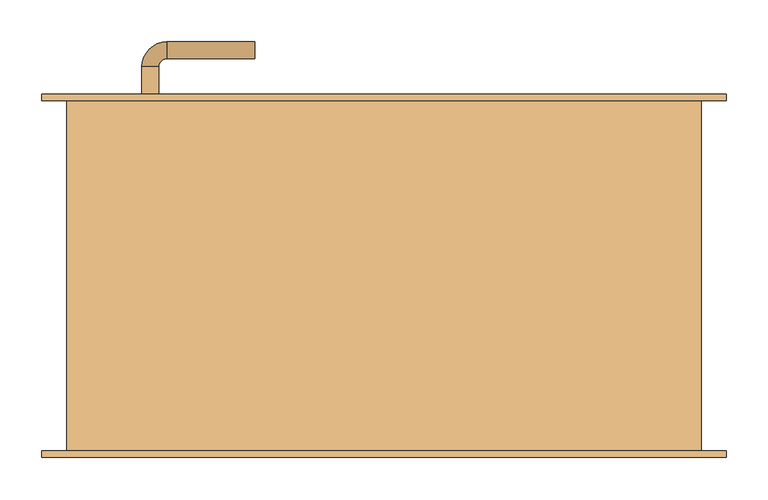
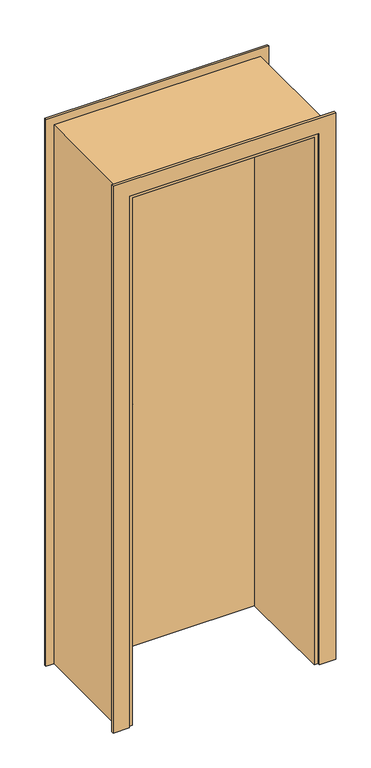
"""IFC4 building model written with IfcOpenShell, lengths in millimetres: door geometry."""

from ifc_helpers import new_model, si_unit, point, frame, frame_2d, origin, origin_with_axes, place, context, project, spatial, polyline, circle_curve, ellipse_curve, trimmed, segment, composite_curve, outline, extrude, faceted_brep, source, transform, mapped, element, save
from ifc_brep_helpers import plane_surface, cylinder_surface, revolved_surface, advanced_brep


def door_f90213ad(model_context):
    return source(origin(), model_context, "Body", "SolidModel", [
        advanced_brep(
        [(-300.0, 216.5831809, 1000.0), (-260.0, 216.5831809, 1000.0), (-290.0, 216.5831809, 1000.0), (-270.0, 216.5831809, 1000.0), (-300.0, 210.0, 1000.0), (-260.0, 210.0, 1000.0), (-155.0, 280.6350833, 1000.0), (-155.0, 260.6350833, 1000.0), (-290.0, 250.6350833, 1000.0), (-270.0, 250.6350833, 1000.0), (-260.0, 260.6350833, 1000.0), (-260.0, 280.6350833, 1000.0)],
        [
            (0, 1, circle_curve(frame((-280.0, 216.5831809, 1000.0), z_axis=(0.0, 1.0, 0.0), x_axis=(1.0, 0.0, 0.0)), 20.0)),
            (1, 0, circle_curve(frame((-280.0, 216.5831809, 1000.0), z_axis=(0.0, 1.0, 0.0), x_axis=(1.0, 0.0, 0.0)), 20.0)),
            (2, 3, circle_curve(frame((-280.0, 216.5831809, 1000.0), z_axis=(0.0, -1.0, 0.0), x_axis=(1.0, 0.0, 0.0)), 10.0)),
            (3, 2, circle_curve(frame((-280.0, 216.5831809, 1000.0), z_axis=(0.0, -1.0, 0.0), x_axis=(1.0, 0.0, 0.0)), 10.0)),
            (4, 5, circle_curve(frame((-280.0, 210.0, 1000.0), z_axis=(0.0, -1.0, 0.0), x_axis=(1.0, 0.0, 0.0)), 20.0)),
            (5, 4, circle_curve(frame((-280.0, 210.0, 1000.0), z_axis=(0.0, -1.0, 0.0), x_axis=(1.0, 0.0, 0.0)), 20.0)),
            (1, 5),
            (4, 0),
            (6, 7, circle_curve(frame((-155.0, 270.6350833, 1000.0), z_axis=(1.0, 0.0, 0.0), x_axis=(0.0, -1.0, 0.0)), 10.0)),
            (7, 6, circle_curve(frame((-155.0, 270.6350833, 1000.0), z_axis=(1.0, 0.0, 0.0), x_axis=(0.0, -1.0, 0.0)), 10.0)),
            (8, 2),
            (3, 9),
            (9, 8, circle_curve(frame((-280.0, 250.6350833, 1000.0), z_axis=(0.0, -1.0, 0.0), x_axis=(1.0, 0.0, 0.0)), 10.0)),
            (8, 9, circle_curve(frame((-280.0, 250.6350833, 1000.0), z_axis=(0.0, -1.0, 0.0), x_axis=(1.0, 0.0, 0.0)), 10.0)),
            (9, 10, circle_curve(frame((-260.0, 250.6350833, 1000.0), z_axis=(0.0, 0.0, -1.0), x_axis=(-1.0, 0.0, 0.0)), 10.0)),
            (10, 11, circle_curve(frame((-260.0, 270.6350833, 1000.0), z_axis=(-1.0, 0.0, 0.0), x_axis=(0.0, -1.0, 0.0)), 10.0)),
            (11, 8, circle_curve(frame((-260.0, 250.6350833, 1000.0), z_axis=(0.0, 0.0, 1.0), x_axis=(-1.0, 0.0, 0.0)), 30.0)),
            (11, 10, circle_curve(frame((-260.0, 270.6350833, 1000.0), z_axis=(-1.0, 0.0, 0.0), x_axis=(0.0, -1.0, 0.0)), 10.0)),
            (6, 11),
            (10, 7),
        ],
        [
            plane_surface(frame((-260.0, 216.5831809, 1000.0), z_axis=(0.0, 1.0, 0.0), x_axis=(0.0, 0.0, 1.0))),
            plane_surface(frame((-260.0, 210.0, 1000.0), z_axis=(0.0, -1.0, 0.0), x_axis=(0.0, 0.0, -1.0))),
            cylinder_surface(frame((-280.0, 210.0, 1000.0), z_axis=(0.0, 1.0, 0.0), x_axis=(1.0, 0.0, 0.0)), 20.0),
            plane_surface(frame((-155.0, 270.6350833, 1000.0), z_axis=(1.0, 0.0, 0.0), x_axis=(0.0, 0.0, -1.0))),
            cylinder_surface(frame((-280.0, 210.0, 1000.0), z_axis=(0.0, -1.0, 0.0), x_axis=(1.0, 0.0, 0.0)), 10.0),
            revolved_surface(trimmed(ellipse_curve(frame((-280.0, 250.6350833, 1000.0), z_axis=(0.0, 1.0, 0.0), x_axis=(1.0, 0.0, 0.0)), 10.0, 10.0), [point((-290.0, 250.6350833, 1000.0))], [point((-270.0, 250.6350833, 1000.0))], True, "CARTESIAN"), (-260.0, 250.6350833, 1000.0), (0.0, 0.0, 1.0)),
            revolved_surface(trimmed(ellipse_curve(frame((-280.0, 250.6350833, 1000.0), z_axis=(0.0, 1.0, 0.0), x_axis=(1.0, 0.0, 0.0)), 10.0, 10.0), [point((-270.0, 250.6350833, 1000.0))], [point((-290.0, 250.6350833, 1000.0))], True, "CARTESIAN"), (-260.0, 250.6350833, 1000.0), (0.0, 0.0, 1.0)),
            cylinder_surface(frame((-260.0, 270.6350833, 1000.0), z_axis=(-1.0, 0.0, 0.0), x_axis=(0.0, -1.0, 0.0)), 10.0),
        ],
        [
            (0, [[1, 2], [3, 4]]),
            (1, [[5, 6]]),
            (2, [[7, -5, 8, -2]]),
            (2, [[-8, -6, -7, -1]]),
            (3, [[9, 10]]),
            (4, [[11, -4, 12, 13]]),
            (4, [[-12, -3, -11, 14]]),
            (5, [[15, 16, 17, -13]]),
            (6, [[-17, 18, -15, -14]]),
            (7, [[19, -16, 20, -9]]),
            (7, [[-20, -18, -19, -10]]),
        ],
    ),
        extrude(outline(composite_curve([segment(trimmed(circle_curve(frame_2d((940.0, -280.0)), 20.0), [point((940.0, -300.0))], [point((940.0, -260.0))], False, "CARTESIAN"), True, "CONTINUOUS"), segment(trimmed(circle_curve(frame_2d((940.0, -280.0)), 20.0), [point((940.0, -260.0))], [point((940.0, -300.0))], False, "CARTESIAN"), True, "CONTINUOUS")], self_intersect=False)), frame((0.0, 210.0, 0.0), z_axis=(0.0, 1.0, 0.0), x_axis=(0.0, 0.0, 1.0)), (0.0, 0.0, 1.0), 6.5831809),
        advanced_brep(
        [(-300.0, 163.4168191, 1000.0), (-260.0, 163.4168191, 1000.0), (-290.0, 163.4168191, 1000.0), (-270.0, 163.4168191, 1000.0), (-300.0, 170.0, 1000.0), (-260.0, 170.0, 1000.0), (-155.0, 99.3649167, 1000.0), (-155.0, 119.3649167, 1000.0), (-290.0, 129.3649167, 1000.0), (-270.0, 129.3649167, 1000.0), (-260.0, 99.3649167, 1000.0), (-260.0, 119.3649167, 1000.0)],
        [
            (0, 1, circle_curve(frame((-280.0, 163.4168191, 1000.0), z_axis=(0.0, -1.0, 0.0), x_axis=(1.0, 0.0, 0.0)), 20.0)),
            (1, 0, circle_curve(frame((-280.0, 163.4168191, 1000.0), z_axis=(0.0, -1.0, 0.0), x_axis=(1.0, 0.0, 0.0)), 20.0)),
            (2, 3, circle_curve(frame((-280.0, 163.4168191, 1000.0), z_axis=(0.0, 1.0, 0.0), x_axis=(1.0, 0.0, 0.0)), 10.0)),
            (3, 2, circle_curve(frame((-280.0, 163.4168191, 1000.0), z_axis=(0.0, 1.0, 0.0), x_axis=(1.0, 0.0, 0.0)), 10.0)),
            (4, 5, circle_curve(frame((-280.0, 170.0, 1000.0), z_axis=(0.0, 1.0, 0.0), x_axis=(1.0, 0.0, 0.0)), 20.0)),
            (5, 4, circle_curve(frame((-280.0, 170.0, 1000.0), z_axis=(0.0, 1.0, 0.0), x_axis=(1.0, 0.0, 0.0)), 20.0)),
            (0, 4),
            (5, 1),
            (6, 7, circle_curve(frame((-155.0, 109.3649167, 1000.0), z_axis=(1.0, 0.0, 0.0), x_axis=(0.0, 1.0, 0.0)), 10.0)),
            (7, 6, circle_curve(frame((-155.0, 109.3649167, 1000.0), z_axis=(1.0, 0.0, 0.0), x_axis=(0.0, 1.0, 0.0)), 10.0)),
            (8, 9, circle_curve(frame((-280.0, 129.3649167, 1000.0), z_axis=(0.0, 1.0, 0.0), x_axis=(1.0, 0.0, 0.0)), 10.0)),
            (9, 3),
            (2, 8),
            (9, 8, circle_curve(frame((-280.0, 129.3649167, 1000.0), z_axis=(0.0, 1.0, 0.0), x_axis=(1.0, 0.0, 0.0)), 10.0)),
            (8, 10, circle_curve(frame((-260.0, 129.3649167, 1000.0), z_axis=(0.0, 0.0, 1.0), x_axis=(-1.0, 0.0, 0.0)), 30.0)),
            (10, 11, circle_curve(frame((-260.0, 109.3649167, 1000.0), z_axis=(-1.0, 0.0, 0.0), x_axis=(0.0, 1.0, 0.0)), 10.0)),
            (11, 9, circle_curve(frame((-260.0, 129.3649167, 1000.0), z_axis=(0.0, 0.0, -1.0), x_axis=(-1.0, 0.0, 0.0)), 10.0)),
            (11, 10, circle_curve(frame((-260.0, 109.3649167, 1000.0), z_axis=(-1.0, 0.0, 0.0), x_axis=(0.0, 1.0, 0.0)), 10.0)),
            (7, 11),
            (10, 6),
        ],
        [
            plane_surface(frame((-260.0, 163.4168191, 1000.0), z_axis=(0.0, -1.0, 0.0), x_axis=(0.0, 0.0, 1.0))),
            plane_surface(frame((-260.0, 170.0, 1000.0), z_axis=(0.0, 1.0, 0.0), x_axis=(0.0, 0.0, -1.0))),
            cylinder_surface(frame((-280.0, 170.0, 1000.0), z_axis=(0.0, -1.0, 0.0), x_axis=(1.0, 0.0, 0.0)), 20.0),
            plane_surface(frame((-155.0, 109.3649167, 1000.0), z_axis=(1.0, 0.0, 0.0), x_axis=(0.0, 0.0, -1.0))),
            cylinder_surface(frame((-280.0, 170.0, 1000.0), z_axis=(0.0, 1.0, 0.0), x_axis=(1.0, 0.0, 0.0)), 10.0),
            revolved_surface(trimmed(ellipse_curve(frame((-280.0, 129.3649167, 1000.0), z_axis=(0.0, 1.0, 0.0), x_axis=(1.0, 0.0, 0.0)), 10.0, 10.0), [point((-290.0, 129.3649167, 1000.0))], [point((-270.0, 129.3649167, 1000.0))], True, "CARTESIAN"), (-260.0, 129.3649167, 1000.0), (0.0, 0.0, 1.0)),
            revolved_surface(trimmed(ellipse_curve(frame((-280.0, 129.3649167, 1000.0), z_axis=(0.0, 1.0, 0.0), x_axis=(1.0, 0.0, 0.0)), 10.0, 10.0), [point((-270.0, 129.3649167, 1000.0))], [point((-290.0, 129.3649167, 1000.0))], True, "CARTESIAN"), (-260.0, 129.3649167, 1000.0), (0.0, 0.0, 1.0)),
            cylinder_surface(frame((-260.0, 109.3649167, 1000.0), z_axis=(-1.0, 0.0, 0.0), x_axis=(0.0, 1.0, 0.0)), 10.0),
        ],
        [
            (0, [[1, 2], [3, 4]]),
            (1, [[5, 6]]),
            (2, [[-1, 7, -6, 8]]),
            (2, [[-2, -8, -5, -7]]),
            (3, [[9, 10]]),
            (4, [[11, 12, -3, 13]]),
            (4, [[14, -13, -4, -12]]),
            (5, [[-11, 15, 16, 17]]),
            (6, [[-14, -17, 18, -15]]),
            (7, [[-10, 19, -16, 20]]),
            (7, [[-9, -20, -18, -19]]),
        ],
    ),
        extrude(outline(composite_curve([segment(trimmed(circle_curve(frame_2d((940.0, -280.0)), 20.0), [point((940.0, -300.0))], [point((940.0, -260.0))], False, "CARTESIAN"), True, "CONTINUOUS"), segment(trimmed(circle_curve(frame_2d((940.0, -280.0)), 20.0), [point((940.0, -260.0))], [point((940.0, -300.0))], False, "CARTESIAN"), True, "CONTINUOUS")], self_intersect=False)), frame((0.0, 163.4168191, 0.0), z_axis=(0.0, 1.0, 0.0), x_axis=(0.0, 0.0, 1.0)), (0.0, 0.0, 1.0), 6.5831809),
        extrude(outline(polyline([(-350.0, 190.0), (350.0, 190.0), (350.0, 170.0), (-350.0, 170.0), (-350.0, 190.0)])), origin_with_axes(), (0.0, 0.0, 1.0), 2070.0),
        extrude(outline(polyline([(350.0, 190.0), (-350.0, 190.0), (-350.0, 210.0), (350.0, 210.0), (350.0, 190.0)])), origin_with_axes(), (0.0, 0.0, 1.0), 2070.0),
        extrude(outline(polyline([(0.0, -350.0), (2070.0, -350.0), (2070.0, 350.0), (0.0, 350.0), (0.0, 410.0), (2130.0, 410.0), (2130.0, -410.0), (0.0, -410.0), (0.0, -350.0)])), frame((0.0, 210.0, 0.0), z_axis=(0.0, 1.0, 0.0), x_axis=(0.0, 0.0, 1.0)), (0.0, 0.0, 1.0), 8.0),
        extrude(outline(polyline([(0.0, -410.0), (0.0, -350.0), (2070.0, -350.0), (2070.0, 350.0), (0.0, 350.0), (0.0, 410.0), (2130.0, 410.0), (2130.0, -410.0), (0.0, -410.0)])), frame((0.0, -218.0, 0.0), z_axis=(0.0, 1.0, 0.0), x_axis=(0.0, 0.0, 1.0)), (0.0, 0.0, 1.0), 8.0),
        faceted_brep([(-350.0, 170.0, 0.0), (-335.0, 170.0, 0.0), (-335.0, -210.0, 0.0), (-380.0, -210.0, 0.0), (-380.0, 210.0, 0.0), (-350.0, 210.0, 0.0), (-350.0, 170.0, 2070.0), (350.0, 170.0, 2070.0), (350.0, 170.0, 0.0), (335.0, 170.0, 0.0), (335.0, 170.0, 2055.0), (-335.0, 170.0, 2055.0), (-335.0, -210.0, 2055.0), (335.0, -210.0, 2055.0), (335.0, -210.0, 0.0), (380.0, -210.0, 0.0), (380.0, -210.0, 2100.0), (-380.0, -210.0, 2100.0), (-380.0, 210.0, 2100.0), (380.0, 210.0, 2100.0), (380.0, 210.0, 0.0), (350.0, 210.0, 0.0), (350.0, 210.0, 2070.0), (-350.0, 210.0, 2070.0)], [[[0, 1, 2, 3, 4, 5]], [[1, 0, 6, 7, 8, 9, 10, 11]], [[2, 1, 11, 12]], [[3, 2, 12, 13, 14, 15, 16, 17]], [[4, 3, 17, 18]], [[5, 4, 18, 19, 20, 21, 22, 23]], [[0, 5, 23, 6]], [[12, 11, 10, 13]], [[18, 17, 16, 19]], [[6, 23, 22, 7]], [[8, 21, 20, 15, 14, 9]], [[13, 10, 9, 14]], [[19, 16, 15, 20]], [[7, 22, 21, 8]]]),
    ])


if __name__ == "__main__":
    model = new_model("IFC4")
    model_context = context("Model", 3, world=origin())
    ifc_project = project(units=[si_unit("LENGTHUNIT", "METRE", prefix="MILLI")], contexts=[model_context])
    site = spatial("IfcSite", under=ifc_project)
    building = spatial("IfcBuilding", under=site)
    placement = place(None, origin())
    door_shape = door_f90213ad(model_context)
    element("IfcDoor", 1, at=placement, inside=building, context=model_context, shape_type="MappedRepresentation", body=[
        mapped(door_shape, transform((0.0, 0.0, 0.0), x_axis=(1.0, 0.0, 0.0), y_axis=(0.0, 1.0, 0.0), z_axis=(0.0, 0.0, 1.0))),
    ])
    save(model, "model.ifc")
